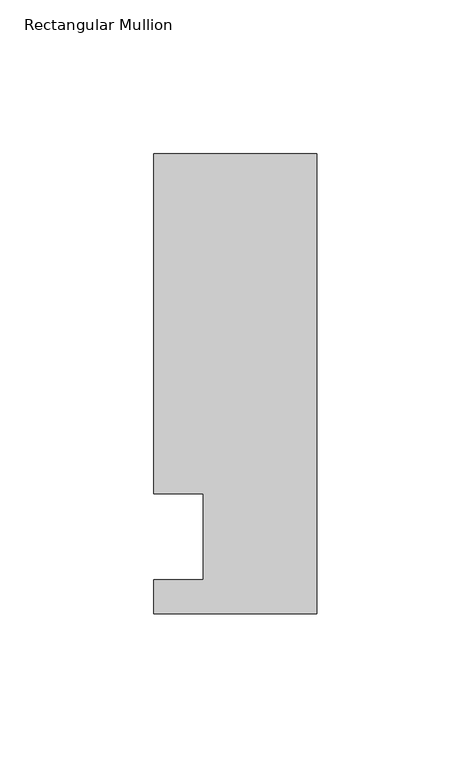
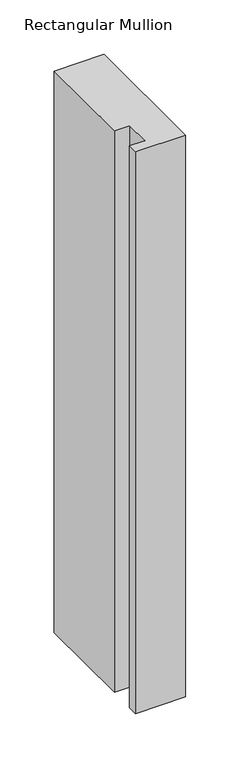
"""IFC4 building model written with IfcOpenShell, lengths in millimetres: member geometry, Rectangular Mullion."""

from ifc_helpers import new_model, si_unit, frame, origin, place, context, project, spatial, polyline, outline, extrude, source, transform, mapped, element, save


def rectangular_mullion_bd49aa96(model_context):
    return source(origin(), model_context, "Body", "SweptSolid", [
        extrude(outline(polyline([(0.0, -25.0), (-53.0, -25.0), (-53.0, -14.0), (-37.0, -14.0), (-37.0, 14.0), (-53.0, 14.0), (-53.0, 124.5), (0.0, 124.5), (0.0, -25.0)])), frame((0.0, 0.0, -629.2376689), z_axis=(0.0, 0.0, 1.0), x_axis=(1.0, 0.0, 0.0)), (0.0, 0.0, 1.0), 629.2376689),
    ])


if __name__ == "__main__":
    model = new_model("IFC4")
    model_context = context("Model", 3, world=origin())
    ifc_project = project(units=[si_unit("LENGTHUNIT", "METRE", prefix="MILLI")], contexts=[model_context])
    site = spatial("IfcSite", under=ifc_project)
    building = spatial("IfcBuilding", under=site)
    placement = place(None, origin())
    rectangular_mullion_shape = rectangular_mullion_bd49aa96(model_context)
    element("IfcMember", 1, ObjectType="Rectangular Mullion", at=placement, inside=building, context=model_context, shape_type="MappedRepresentation", body=[
        mapped(rectangular_mullion_shape, transform((0.0, 0.0, 0.0), x_axis=(1.0, 0.0, 0.0), y_axis=(0.0, 1.0, 0.0), z_axis=(0.0, 0.0, 1.0))),
    ])
    save(model, "model.ifc")
